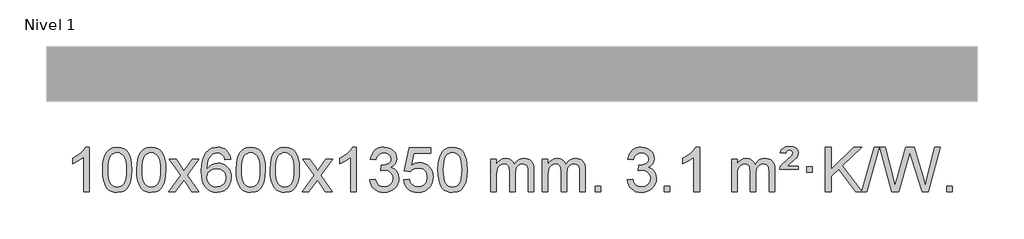
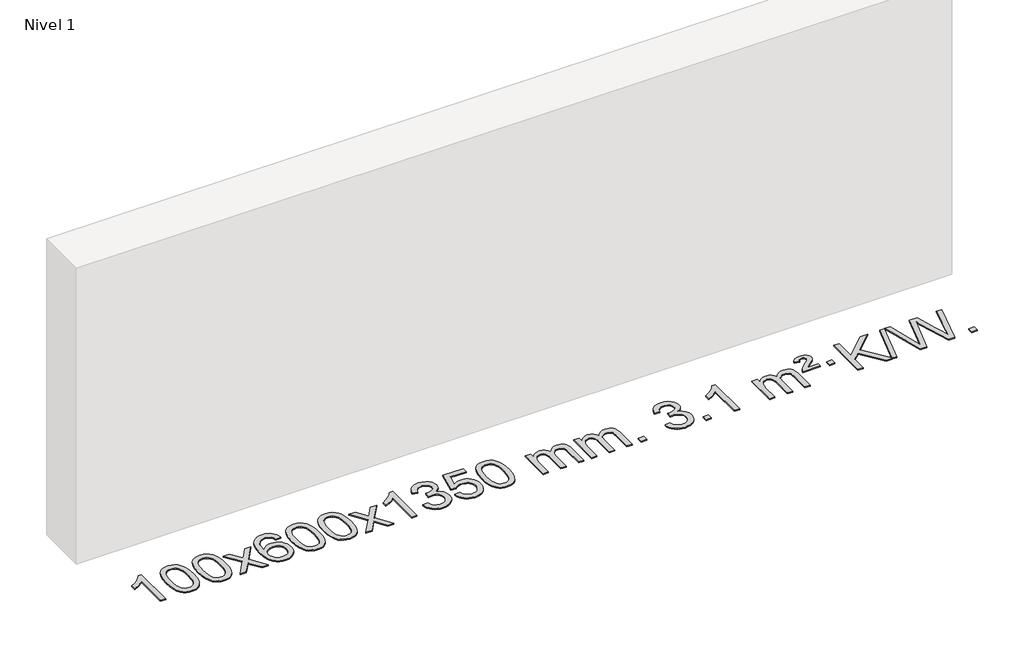
# One storey, part 10 of 15: 1 proxy.
"""IFC4 building model written with IfcOpenShell, lengths in millimetres."""

from ifc_helpers import new_model, si_unit, origin, origin_with_axes, place, context, project, spatial, polyline, outline, extrude, element, save

model = new_model("IFC4")

# Units and contexts
model_context = context("Model", 3, world=origin())
ifc_project = project(units=[si_unit("LENGTHUNIT", "METRE", prefix="MILLI")], contexts=[model_context])

# Site, building, storey
site = spatial("IfcSite", under=ifc_project)
building = spatial("IfcBuilding", under=site)
storey = spatial("IfcBuildingStorey", under=building, Name="Nivel 1", Elevation=0.0)

# Proxy
placement = place(None, origin())
element("IfcBuildingElementProxy", 1, Name="Texto de modelo 1", ObjectType="Texto de modelo 1", at=placement, inside=storey, context=model_context, shape_type="SweptSolid", body=[
    extrude(outline(polyline([(-13091.6185243, -6674.6168569), (-13141.8466794, -6674.6168569), (-13141.8466794, -6361.4757026), (-13162.8159531, -6378.4350626), (-13189.4260841, -6395.3698971), (-13242.3029895, -6420.7292293), (-13242.3029895, -6373.2479264), (-13202.8537769, -6351.7881434), (-13168.6775396, -6326.2571329), (-13141.7363148, -6299.1074417), (-13123.9921399, -6272.7916163), (-13091.6185243, -6272.7916163), (-13091.6185243, -6674.6168569)])), origin_with_axes(), (0.0, 0.0, 1.0), 10.0),
    extrude(outline(polyline([(-12972.326656, -6476.9415981), (-12968.6355733, -6412.6235626), (-12957.5623253, -6361.3285498), (-12939.2172764, -6322.2717446), (-12927.3592135, -6307.0383643), (-12913.7107915, -6294.6683323), (-12898.2260251, -6285.097269), (-12880.8589293, -6278.2607953), (-12840.4777489, -6272.7916163), (-12809.5266104, -6276.0289778), (-12781.8128334, -6285.7410625), (-12758.6362678, -6301.5477256), (-12741.296763, -6323.0688223), (-12728.200164, -6350.1204117), (-12717.7523154, -6382.5185527), (-12710.9097102, -6423.6600225), (-12708.6288419, -6476.9415981), (-12712.2831364, -6540.8917516), (-12723.2460198, -6592.0641372), (-12741.480704, -6631.1577305), (-12753.3111759, -6646.437096), (-12766.9504008, -6658.8715075), (-12782.4535613, -6668.5069501), (-12799.8758394, -6675.3894091), (-12840.4777489, -6680.8953763), (-12868.142475, -6678.5041433), (-12892.6679413, -6671.3304444), (-12914.054148, -6659.3742795), (-12932.3010949, -6642.6356488), (-12949.8122779, -6612.3773547), (-12962.3202657, -6574.6755815), (-12969.8250584, -6529.5303293), (-12972.326656, -6476.9415981)]), holes=[polyline([(-12922.0985009, -6476.8434963), (-12920.626973, -6520.5080234), (-12916.212389, -6555.8522861), (-12908.8547491, -6582.8762843), (-12898.5540532, -6601.5800181), (-12886.0951163, -6614.3056694), (-12872.2627533, -6623.3954204), (-12857.0569642, -6628.849271), (-12840.4777489, -6630.6672212), (-12823.8985337, -6628.8431396), (-12808.6927446, -6623.3708949), (-12794.8603815, -6614.2504871), (-12782.4014446, -6601.4819162), (-12772.1007488, -6582.7475256), (-12764.7431089, -6555.7296588), (-12760.3285249, -6520.4283156), (-12758.8569969, -6476.8434963), (-12760.279474, -6434.3347317), (-12764.5469051, -6399.6128027), (-12771.6592904, -6372.6777093), (-12781.6166297, -6353.5294515), (-12793.8671002, -6340.1814664), (-12807.8588787, -6330.6471914), (-12823.5919654, -6324.9266264), (-12841.0663601, -6323.0197713), (-12857.5597363, -6324.6997658), (-12872.508008, -6329.7397491), (-12885.9111753, -6338.1397213), (-12897.7692383, -6349.8996825), (-12908.4132907, -6370.7463289), (-12916.0161853, -6398.8525133), (-12920.577922, -6434.2182358), (-12922.0985009, -6476.8434963)])]), origin_with_axes(), (0.0, 0.0, 1.0), 10.0),
    extrude(outline(polyline([(-12664.6792062, -6476.9415981), (-12660.9881235, -6412.6235626), (-12649.9148754, -6361.3285498), (-12631.5698266, -6322.2717446), (-12619.7117636, -6307.0383643), (-12606.0633416, -6294.6683323), (-12590.5785753, -6285.097269), (-12573.2114794, -6278.2607953), (-12532.8302991, -6272.7916163), (-12501.8791606, -6276.0289778), (-12474.1653836, -6285.7410625), (-12450.9888179, -6301.5477256), (-12433.6493132, -6323.0688223), (-12420.5527142, -6350.1204117), (-12410.1048655, -6382.5185527), (-12403.2622604, -6423.6600225), (-12400.981392, -6476.9415981), (-12404.6356865, -6540.8917516), (-12415.59857, -6592.0641372), (-12433.8332542, -6631.1577305), (-12445.663726, -6646.437096), (-12459.302951, -6658.8715075), (-12474.8061114, -6668.5069501), (-12492.2283896, -6675.3894091), (-12532.8302991, -6680.8953763), (-12560.4950251, -6678.5041433), (-12585.0204915, -6671.3304444), (-12606.4066981, -6659.3742795), (-12624.6536451, -6642.6356488), (-12642.1648281, -6612.3773547), (-12654.6728159, -6574.6755815), (-12662.1776086, -6529.5303293), (-12664.6792062, -6476.9415981)]), holes=[polyline([(-12614.4510511, -6476.8434963), (-12612.9795231, -6520.5080234), (-12608.5649392, -6555.8522861), (-12601.2072993, -6582.8762843), (-12590.9066034, -6601.5800181), (-12578.4476665, -6614.3056694), (-12564.6153035, -6623.3954204), (-12549.4095144, -6628.849271), (-12532.8302991, -6630.6672212), (-12516.2510839, -6628.8431396), (-12501.0452947, -6623.3708949), (-12487.2129317, -6614.2504871), (-12474.7539948, -6601.4819162), (-12464.4532989, -6582.7475256), (-12457.095659, -6555.7296588), (-12452.6810751, -6520.4283156), (-12451.2095471, -6476.8434963), (-12452.6320242, -6434.3347317), (-12456.8994553, -6399.6128027), (-12464.0118405, -6372.6777093), (-12473.9691799, -6353.5294515), (-12486.2196503, -6340.1814664), (-12500.2114289, -6330.6471914), (-12515.9445155, -6324.9266264), (-12533.4189103, -6323.0197713), (-12549.9122864, -6324.6997658), (-12564.8605582, -6329.7397491), (-12578.2637255, -6338.1397213), (-12590.1217885, -6349.8996825), (-12600.7658409, -6370.7463289), (-12608.3687355, -6398.8525133), (-12612.9304722, -6434.2182358), (-12614.4510511, -6476.8434963)])]), origin_with_axes(), (0.0, 0.0, 1.0), 10.0),
    extrude(outline(polyline([(-12375.8673145, -6674.6168569), (-12268.5438738, -6526.2868364), (-12369.5887951, -6379.5264458), (-12309.158046, -6379.5264458), (-12260.4014189, -6450.1597889), (-12237.6417862, -6483.5144231), (-12217.9233112, -6456.2421045), (-12162.3976554, -6379.5264458), (-12101.9669064, -6379.5264458), (-12208.1131247, -6526.2868364), (-12105.890981, -6674.6168569), (-12166.32173, -6674.6168569), (-12227.8315996, -6585.4422612), (-12239.1133142, -6569.1573516), (-12315.4365654, -6674.6168569), (-12375.8673145, -6674.6168569)])), origin_with_axes(), (0.0, 0.0, 1.0), 10.0),
    extrude(outline(polyline([(-11817.0790893, -6379.5264458), (-11867.3072444, -6385.8049652), (-11875.4006483, -6360.9116168), (-11886.3390063, -6343.9154687), (-11909.1231645, -6328.2436957), (-11936.6652632, -6323.0197713), (-11960.0135072, -6326.0609292), (-11981.988325, -6335.1844027), (-12000.8606714, -6354.4001055), (-12016.2749269, -6380.850821), (-12026.6859874, -6418.2644199), (-12030.5487484, -6470.3687731), (-12010.4010778, -6446.8611137), (-11986.2557561, -6430.2941611), (-11959.4616842, -6420.4717119), (-11931.3677625, -6417.1975621), (-11907.2347036, -6419.4355109), (-11884.9655801, -6426.1493573), (-11864.5603921, -6437.3391013), (-11846.0191396, -6453.004743), (-11830.6110154, -6472.2143145), (-11819.6052123, -6494.0358482), (-11813.0017305, -6518.469344), (-11810.8005699, -6545.514802), (-11814.9453737, -6581.4813984), (-11827.3797852, -6614.8237699), (-11847.0737346, -6643.1016326), (-11872.9971526, -6663.8747026), (-11903.9728166, -6676.6402078), (-11938.8235042, -6680.8953763), (-11968.766033, -6678.0749476), (-11995.8084253, -6669.6136617), (-12019.9506812, -6655.5115186), (-12041.1928008, -6635.7685182), (-12058.5108457, -6609.5507947), (-12070.8808778, -6576.0244822), (-12078.302897, -6535.1895807), (-12080.7769034, -6487.0460903), (-12078.0300512, -6433.0716702), (-12069.7894945, -6387.006713), (-12056.0552334, -6348.8512188), (-12036.8272677, -6318.6051874), (-12015.9867527, -6298.56175), (-11991.823037, -6284.2450091), (-11964.3361206, -6275.6549645), (-11933.5260035, -6272.7916163), (-11910.3923574, -6274.5635812), (-11889.4537405, -6279.879476), (-11870.7101528, -6288.7393008), (-11854.1615944, -6301.1430554), (-11840.255655, -6316.6738069), (-11829.4399243, -6334.9146225), (-11821.7144024, -6355.8655021), (-11817.0790893, -6379.5264458)]), holes=[polyline([(-12030.5487484, -6544.7299871), (-12027.6424806, -6566.9868478), (-12018.9236773, -6588.2381644), (-12005.3856199, -6606.5096368), (-11988.0215897, -6619.8269651), (-11967.0645787, -6627.9571571), (-11942.7475788, -6630.6672212), (-11909.6014111, -6625.0508894), (-11895.6862746, -6618.0304746), (-11883.5431031, -6608.201894), (-11873.6930627, -6595.9636863), (-11866.6573195, -6581.7143904), (-11861.028725, -6547.1825337), (-11866.5837431, -6514.036366), (-11873.5275158, -6500.4155351), (-11883.2487975, -6488.7628729), (-11895.4287572, -6479.4278673), (-11909.7485639, -6472.7600061), (-11944.807718, -6467.4257172), (-11977.9048349, -6472.7600061), (-12005.5818236, -6488.7628729), (-12016.5048532, -6500.2622509), (-12024.3070172, -6513.4232293), (-12028.9883156, -6528.245808), (-12030.5487484, -6544.7299871)])]), origin_with_axes(), (0.0, 0.0, 1.0), 10.0),
    extrude(outline(polyline([(-11766.8509342, -6476.9415981), (-11763.1598515, -6412.6235626), (-11752.0866035, -6361.3285498), (-11733.7415547, -6322.2717446), (-11721.8834917, -6307.0383643), (-11708.2350697, -6294.6683323), (-11692.7503033, -6285.097269), (-11675.3832075, -6278.2607953), (-11635.0020271, -6272.7916163), (-11604.0508886, -6276.0289778), (-11576.3371117, -6285.7410625), (-11553.160546, -6301.5477256), (-11535.8210412, -6323.0688223), (-11522.7244422, -6350.1204117), (-11512.2765936, -6382.5185527), (-11505.4339884, -6423.6600225), (-11503.1531201, -6476.9415981), (-11506.8074146, -6540.8917516), (-11517.770298, -6592.0641372), (-11536.0049822, -6631.1577305), (-11547.8354541, -6646.437096), (-11561.474679, -6658.8715075), (-11576.9778395, -6668.5069501), (-11594.4001176, -6675.3894091), (-11635.0020271, -6680.8953763), (-11662.6667532, -6678.5041433), (-11687.1922195, -6671.3304444), (-11708.5784262, -6659.3742795), (-11726.8253731, -6642.6356488), (-11744.3365561, -6612.3773547), (-11756.844544, -6574.6755815), (-11764.3493367, -6529.5303293), (-11766.8509342, -6476.9415981)]), holes=[polyline([(-11716.6227791, -6476.8434963), (-11715.1512512, -6520.5080234), (-11710.7366672, -6555.8522861), (-11703.3790273, -6582.8762843), (-11693.0783315, -6601.5800181), (-11680.6193946, -6614.3056694), (-11666.7870315, -6623.3954204), (-11651.5812424, -6628.849271), (-11635.0020271, -6630.6672212), (-11618.4228119, -6628.8431396), (-11603.2170228, -6623.3708949), (-11589.3846597, -6614.2504871), (-11576.9257228, -6601.4819162), (-11566.625027, -6582.7475256), (-11559.2673871, -6555.7296588), (-11554.8528031, -6520.4283156), (-11553.3812752, -6476.8434963), (-11554.8037522, -6434.3347317), (-11559.0711833, -6399.6128027), (-11566.1835686, -6372.6777093), (-11576.1409079, -6353.5294515), (-11588.3913784, -6340.1814664), (-11602.3831569, -6330.6471914), (-11618.1162436, -6324.9266264), (-11635.5906383, -6323.0197713), (-11652.0840145, -6324.6997658), (-11667.0322862, -6329.7397491), (-11680.4354536, -6338.1397213), (-11692.2935165, -6349.8996825), (-11702.9375689, -6370.7463289), (-11710.5404635, -6398.8525133), (-11715.1022002, -6434.2182358), (-11716.6227791, -6476.8434963)])]), origin_with_axes(), (0.0, 0.0, 1.0), 10.0),
    extrude(outline(polyline([(-11459.2034844, -6476.9415981), (-11455.5124017, -6412.6235626), (-11444.4391536, -6361.3285498), (-11426.0941048, -6322.2717446), (-11414.2360418, -6307.0383643), (-11400.5876198, -6294.6683323), (-11385.1028535, -6285.097269), (-11367.7357577, -6278.2607953), (-11327.3545773, -6272.7916163), (-11296.4034388, -6276.0289778), (-11268.6896618, -6285.7410625), (-11245.5130961, -6301.5477256), (-11228.1735914, -6323.0688223), (-11215.0769924, -6350.1204117), (-11204.6291437, -6382.5185527), (-11197.7865386, -6423.6600225), (-11195.5056702, -6476.9415981), (-11199.1599647, -6540.8917516), (-11210.1228482, -6592.0641372), (-11228.3575324, -6631.1577305), (-11240.1880042, -6646.437096), (-11253.8272292, -6658.8715075), (-11269.3303896, -6668.5069501), (-11286.7526678, -6675.3894091), (-11327.3545773, -6680.8953763), (-11355.0193034, -6678.5041433), (-11379.5447697, -6671.3304444), (-11400.9309764, -6659.3742795), (-11419.1779233, -6642.6356488), (-11436.6891063, -6612.3773547), (-11449.1970941, -6574.6755815), (-11456.7018868, -6529.5303293), (-11459.2034844, -6476.9415981)]), holes=[polyline([(-11408.9753293, -6476.8434963), (-11407.5038013, -6520.5080234), (-11403.0892174, -6555.8522861), (-11395.7315775, -6582.8762843), (-11385.4308816, -6601.5800181), (-11372.9719447, -6614.3056694), (-11359.1395817, -6623.3954204), (-11343.9337926, -6628.849271), (-11327.3545773, -6630.6672212), (-11310.7753621, -6628.8431396), (-11295.5695729, -6623.3708949), (-11281.7372099, -6614.2504871), (-11269.278273, -6601.4819162), (-11258.9775771, -6582.7475256), (-11251.6199372, -6555.7296588), (-11247.2053533, -6520.4283156), (-11245.7338253, -6476.8434963), (-11247.1563024, -6434.3347317), (-11251.4237335, -6399.6128027), (-11258.5361188, -6372.6777093), (-11268.4934581, -6353.5294515), (-11280.7439285, -6340.1814664), (-11294.7357071, -6330.6471914), (-11310.4687937, -6324.9266264), (-11327.9431885, -6323.0197713), (-11344.4365646, -6324.6997658), (-11359.3848364, -6329.7397491), (-11372.7880037, -6338.1397213), (-11384.6460667, -6349.8996825), (-11395.2901191, -6370.7463289), (-11402.8930137, -6398.8525133), (-11407.4547504, -6434.2182358), (-11408.9753293, -6476.8434963)])]), origin_with_axes(), (0.0, 0.0, 1.0), 10.0),
    extrude(outline(polyline([(-11170.3915927, -6674.6168569), (-11063.068152, -6526.2868364), (-11164.1130733, -6379.5264458), (-11103.6823242, -6379.5264458), (-11054.9256972, -6450.1597889), (-11032.1660644, -6483.5144231), (-11012.4475894, -6456.2421045), (-10956.9219336, -6379.5264458), (-10896.4911846, -6379.5264458), (-11002.6374029, -6526.2868364), (-10900.4152592, -6674.6168569), (-10960.8460083, -6674.6168569), (-11022.3558778, -6585.4422612), (-11033.6375924, -6569.1573516), (-11109.9608436, -6674.6168569), (-11170.3915927, -6674.6168569)])), origin_with_axes(), (0.0, 0.0, 1.0), 10.0),
    extrude(outline(polyline([(-10680.6670807, -6674.6168569), (-10730.8952358, -6674.6168569), (-10730.8952358, -6361.4757026), (-10751.8645095, -6378.4350626), (-10778.4746405, -6395.3698971), (-10831.351546, -6420.7292293), (-10831.351546, -6373.2479264), (-10791.9023333, -6351.7881434), (-10757.726096, -6326.2571329), (-10730.7848712, -6299.1074417), (-10713.0406963, -6272.7916163), (-10680.6670807, -6272.7916163), (-10680.6670807, -6674.6168569)])), origin_with_axes(), (0.0, 0.0, 1.0), 10.0),
    extrude(outline(polyline([(-10561.3752124, -6567.8820273), (-10511.1470573, -6561.603508), (-10499.902131, -6593.1677831), (-10483.4332804, -6614.4804134), (-10460.931165, -6626.6205192), (-10431.5864445, -6630.6672212), (-10397.1526898, -6625.0999403), (-10382.8788684, -6618.1408392), (-10370.5670843, -6608.3980977), (-10353.5709361, -6583.4802239), (-10347.9055534, -6553.2648494), (-10353.5218851, -6524.5823165), (-10370.3708805, -6501.3199117), (-10395.8773655, -6485.9056561), (-10427.4661662, -6480.7675709), (-10462.6847359, -6486.2612753), (-10457.0929295, -6436.0331203), (-10449.0485766, -6436.6217315), (-10418.9558294, -6433.0164879), (-10392.0513928, -6422.2007572), (-10380.9781447, -6414.0215142), (-10373.0686818, -6403.9047594), (-10368.3230041, -6391.8504926), (-10366.7411115, -6377.8587141), (-10371.3273737, -6356.1659391), (-10385.0861603, -6338.568917), (-10406.0799595, -6326.9070578), (-10432.3712594, -6323.0197713), (-10458.7116103, -6326.943846), (-10480.2449698, -6338.7160698), (-10495.9657937, -6358.3364429), (-10504.868538, -6385.8049652), (-10555.096693, -6379.5264458), (-10549.1431361, -6355.5466711), (-10540.3078368, -6334.4241132), (-10528.5907953, -6316.1587721), (-10513.9920114, -6300.7506479), (-10496.9713378, -6288.5185716), (-10477.9886269, -6279.7813742), (-10457.0438786, -6274.5390557), (-10434.137093, -6272.7916163), (-10402.5605551, -6276.2374443), (-10373.5591912, -6286.5749284), (-10349.1073012, -6302.8843635), (-10331.1791853, -6324.2460447), (-10320.1795137, -6348.8573501), (-10316.5129564, -6374.9156581), (-10319.9955727, -6399.1958698), (-10330.4434213, -6421.2197386), (-10347.7093496, -6439.9817203), (-10371.6462048, -6454.476271), (-10340.2045569, -6467.1804625), (-10316.9053639, -6488.8119238), (-10302.4843897, -6518.1934325), (-10297.6773983, -6554.1477662), (-10300.080894, -6579.6297257), (-10307.2913811, -6603.100597), (-10319.3088596, -6624.5603801), (-10336.1333295, -6644.0090749), (-10356.630488, -6660.1468317), (-10379.6660323, -6671.6738009), (-10405.2399623, -6678.5899824), (-10433.3522781, -6680.8953763), (-10458.7606612, -6678.9272076), (-10481.9127015, -6673.0227016), (-10502.8083988, -6663.1818582), (-10521.4477532, -6649.4046775), (-10537.0766066, -6632.5004998), (-10548.940801, -6613.2786655), (-10557.0403362, -6591.7391747), (-10561.3752124, -6567.8820273)])), origin_with_axes(), (0.0, 0.0, 1.0), 10.0),
    extrude(outline(polyline([(-10253.7277626, -6567.8820273), (-10203.4996075, -6561.603508), (-10194.2780322, -6591.7575688), (-10178.1893262, -6613.3522419), (-10155.3070661, -6626.3384764), (-10125.7048283, -6630.6672212), (-10106.5749645, -6629.1619707), (-10089.7014437, -6624.6462192), (-10075.0842657, -6617.1199667), (-10062.7234307, -6606.5832132), (-10052.8948501, -6593.5571249), (-10045.8744353, -6578.5628679), (-10040.2581035, -6542.6698479), (-10045.5188161, -6508.8737553), (-10052.0947067, -6494.9555532), (-10061.3009536, -6483.0239138), (-10073.1682137, -6473.4528505), (-10087.7271436, -6466.6163768), (-10124.9200133, -6461.1471978), (-10149.2860642, -6463.3299643), (-10169.0168018, -6469.8782638), (-10184.774414, -6479.9091796), (-10197.2210881, -6492.5397947), (-10247.4492432, -6486.2612753), (-10203.4996075, -6279.0701357), (-10008.8655066, -6279.0701357), (-10008.8655066, -6329.2982907), (-10162.8854352, -6329.2982907), (-10184.3697438, -6439.9571949), (-10166.643963, -6427.2530033), (-10148.4889865, -6418.1785808), (-10129.9048144, -6412.7339272), (-10110.8914466, -6410.9190427), (-10086.4303596, -6413.1692543), (-10063.9619667, -6419.9198889), (-10043.486268, -6431.1709466), (-10025.0032635, -6446.9224273), (-10009.7024381, -6466.2117066), (-9998.7732772, -6488.0761598), (-9992.2157806, -6512.5157871), (-9990.0299484, -6539.5305882), (-9991.9981171, -6565.552108), (-9997.9026231, -6589.7587433), (-10007.7434665, -6612.1504941), (-10021.5206472, -6632.7273604), (-10042.3918191, -6653.8008673), (-10066.7456072, -6668.8533723), (-10094.5820115, -6677.8848753), (-10125.901032, -6680.8953763), (-10151.8213842, -6678.9609301), (-10175.2340076, -6673.1575916), (-10196.1389019, -6663.4853608), (-10214.5360674, -6649.9442377), (-10229.8430241, -6633.2086726), (-10241.4772922, -6613.9531159), (-10249.4388717, -6592.1775674), (-10253.7277626, -6567.8820273)])), origin_with_axes(), (0.0, 0.0, 1.0), 10.0),
    extrude(outline(polyline([(-9946.0803128, -6476.9415981), (-9942.3892301, -6412.6235626), (-9931.315982, -6361.3285498), (-9912.9709332, -6322.2717446), (-9901.1128702, -6307.0383643), (-9887.4644482, -6294.6683323), (-9871.9796819, -6285.097269), (-9854.612586, -6278.2607953), (-9814.2314057, -6272.7916163), (-9783.2802672, -6276.0289778), (-9755.5664902, -6285.7410625), (-9732.3899245, -6301.5477256), (-9715.0504198, -6323.0688223), (-9701.9538208, -6350.1204117), (-9691.5059721, -6382.5185527), (-9684.663367, -6423.6600225), (-9682.3824986, -6476.9415981), (-9686.0367931, -6540.8917516), (-9696.9996766, -6592.0641372), (-9715.2343608, -6631.1577305), (-9727.0648326, -6646.437096), (-9740.7040576, -6658.8715075), (-9756.207218, -6668.5069501), (-9773.6294962, -6675.3894091), (-9814.2314057, -6680.8953763), (-9841.8961317, -6678.5041433), (-9866.4215981, -6671.3304444), (-9887.8078047, -6659.3742795), (-9906.0547517, -6642.6356488), (-9923.5659347, -6612.3773547), (-9936.0739225, -6574.6755815), (-9943.5787152, -6529.5303293), (-9946.0803128, -6476.9415981)]), holes=[polyline([(-9895.8521577, -6476.8434963), (-9894.3806297, -6520.5080234), (-9889.9660458, -6555.8522861), (-9882.6084059, -6582.8762843), (-9872.30771, -6601.5800181), (-9859.8487731, -6614.3056694), (-9846.0164101, -6623.3954204), (-9830.8106209, -6628.849271), (-9814.2314057, -6630.6672212), (-9797.6521904, -6628.8431396), (-9782.4464013, -6623.3708949), (-9768.6140383, -6614.2504871), (-9756.1551014, -6601.4819162), (-9745.8544055, -6582.7475256), (-9738.4967656, -6555.7296588), (-9734.0821817, -6520.4283156), (-9732.6106537, -6476.8434963), (-9734.0331307, -6434.3347317), (-9738.3005619, -6399.6128027), (-9745.4129471, -6372.6777093), (-9755.3702865, -6353.5294515), (-9767.6207569, -6340.1814664), (-9781.6125354, -6330.6471914), (-9797.3456221, -6324.9266264), (-9814.8200169, -6323.0197713), (-9831.313393, -6324.6997658), (-9846.2616647, -6329.7397491), (-9859.6648321, -6338.1397213), (-9871.5228951, -6349.8996825), (-9882.1669475, -6370.7463289), (-9889.769842, -6398.8525133), (-9894.3315788, -6434.2182358), (-9895.8521577, -6476.8434963)])]), origin_with_axes(), (0.0, 0.0, 1.0), 10.0),
    extrude(outline(polyline([(-9468.9128395, -6674.6168569), (-9468.9128395, -6379.5264458), (-9418.6846845, -6379.5264458), (-9418.6846845, -6428.0868692), (-9403.5769972, -6405.7809575), (-9384.1528279, -6388.3065628), (-9361.074364, -6377.0125855), (-9335.0037933, -6373.2479264), (-9307.0692871, -6377.0861619), (-9284.6775364, -6388.6008684), (-9267.9511683, -6407.0317563), (-9257.0128103, -6431.6185363), (-9238.7045497, -6406.0813945), (-9217.8211151, -6387.8405789), (-9194.3625065, -6376.8960895), (-9168.328724, -6373.2479264), (-9148.2209073, -6374.7654397), (-9130.5717686, -6379.3179793), (-9115.3813079, -6386.9055455), (-9102.6495251, -6397.5281381), (-9092.5848869, -6411.3083845), (-9085.3958596, -6428.368912), (-9081.0824432, -6448.7097207), (-9079.6446377, -6472.3308105), (-9079.6446377, -6674.6168569), (-9129.8727928, -6674.6168569), (-9129.8727928, -6493.9132208), (-9131.0377524, -6468.860457), (-9134.5326314, -6451.9746734), (-9141.0809309, -6440.410916), (-9151.4061522, -6431.3242307), (-9164.6866923, -6425.4381188), (-9180.1009479, -6423.4760815), (-9207.3119528, -6428.5038021), (-9229.4952371, -6443.5869639), (-9238.1006101, -6455.1568526), (-9244.2473051, -6469.7556365), (-9249.1646611, -6508.0398895), (-9249.1646611, -6674.6168569), (-9299.3928162, -6674.6168569), (-9299.3928162, -6488.3214145), (-9302.2990839, -6459.9209245), (-9311.0178872, -6439.6628893), (-9326.3585664, -6427.5227834), (-9349.1304619, -6423.4760815), (-9368.4810549, -6426.1738828), (-9386.3110689, -6434.2672867), (-9401.0263487, -6447.5600894), (-9411.032739, -6465.8560873), (-9416.7716981, -6491.239945), (-9418.6846845, -6525.7963271), (-9418.6846845, -6674.6168569), (-9468.9128395, -6674.6168569)])), origin_with_axes(), (0.0, 0.0, 1.0), 10.0),
    extrude(outline(polyline([(-9004.3024051, -6674.6168569), (-9004.3024051, -6379.5264458), (-8954.07425, -6379.5264458), (-8954.07425, -6428.0868692), (-8938.9665628, -6405.7809575), (-8919.5423934, -6388.3065628), (-8896.4639296, -6377.0125855), (-8870.3933589, -6373.2479264), (-8842.4588527, -6377.0861619), (-8820.0671019, -6388.6008684), (-8803.3407339, -6407.0317563), (-8792.4023759, -6431.6185363), (-8774.0941153, -6406.0813945), (-8753.2106807, -6387.8405789), (-8729.7520721, -6376.8960895), (-8703.7182896, -6373.2479264), (-8683.6104729, -6374.7654397), (-8665.9613341, -6379.3179793), (-8650.7708734, -6386.9055455), (-8638.0390907, -6397.5281381), (-8627.9744525, -6411.3083845), (-8620.7854251, -6428.368912), (-8616.4720087, -6448.7097207), (-8615.0342033, -6472.3308105), (-8615.0342033, -6674.6168569), (-8665.2623584, -6674.6168569), (-8665.2623584, -6493.9132208), (-8666.427318, -6468.860457), (-8669.922197, -6451.9746734), (-8676.4704965, -6440.410916), (-8686.7957178, -6431.3242307), (-8700.0762578, -6425.4381188), (-8715.4905134, -6423.4760815), (-8742.7015183, -6428.5038021), (-8764.8848026, -6443.5869639), (-8773.4901756, -6455.1568526), (-8779.6368707, -6469.7556365), (-8784.5542267, -6508.0398895), (-8784.5542267, -6674.6168569), (-8834.7823817, -6674.6168569), (-8834.7823817, -6488.3214145), (-8837.6886495, -6459.9209245), (-8846.4074528, -6439.6628893), (-8861.748132, -6427.5227834), (-8884.5200275, -6423.4760815), (-8903.8706204, -6426.1738828), (-8921.7006345, -6434.2672867), (-8936.4159143, -6447.5600894), (-8946.4223045, -6465.8560873), (-8952.1612637, -6491.239945), (-8954.07425, -6525.7963271), (-8954.07425, -6674.6168569), (-9004.3024051, -6674.6168569)])), origin_with_axes(), (0.0, 0.0, 1.0), 10.0),
    extrude(outline(polyline([(-8527.1349319, -6674.6168569), (-8527.1349319, -6624.3887018), (-8476.9067768, -6624.3887018), (-8476.9067768, -6674.6168569), (-8527.1349319, -6674.6168569)])), origin_with_axes(), (0.0, 0.0, 1.0), 10.0),
    extrude(outline(polyline([(-8238.3230402, -6567.8820273), (-8188.0948851, -6561.603508), (-8176.8499588, -6593.1677831), (-8160.3811082, -6614.4804134), (-8137.8789928, -6626.6205192), (-8108.5342723, -6630.6672212), (-8074.1005176, -6625.0999403), (-8059.8266962, -6618.1408392), (-8047.514912, -6608.3980977), (-8030.5187639, -6583.4802239), (-8024.8533811, -6553.2648494), (-8030.4697129, -6524.5823165), (-8047.3187083, -6501.3199117), (-8072.8251933, -6485.9056561), (-8104.413994, -6480.7675709), (-8139.6325636, -6486.2612753), (-8134.0407573, -6436.0331203), (-8125.9964044, -6436.6217315), (-8095.9036571, -6433.0164879), (-8068.9992206, -6422.2007572), (-8057.9259725, -6414.0215142), (-8050.0165096, -6403.9047594), (-8045.2708319, -6391.8504926), (-8043.6889393, -6377.8587141), (-8048.2752015, -6356.1659391), (-8062.0339881, -6338.568917), (-8083.0277873, -6326.9070578), (-8109.3190872, -6323.0197713), (-8135.6594381, -6326.943846), (-8157.1927975, -6338.7160698), (-8172.9136215, -6358.3364429), (-8181.8163658, -6385.8049652), (-8232.0445208, -6379.5264458), (-8226.0909639, -6355.5466711), (-8217.2556646, -6334.4241132), (-8205.5386231, -6316.1587721), (-8190.9398392, -6300.7506479), (-8173.9191656, -6288.5185716), (-8154.9364546, -6279.7813742), (-8133.9917064, -6274.5390557), (-8111.0849208, -6272.7916163), (-8079.5083829, -6276.2374443), (-8050.5070189, -6286.5749284), (-8026.055129, -6302.8843635), (-8008.1270131, -6324.2460447), (-7997.1273414, -6348.8573501), (-7993.4607842, -6374.9156581), (-7996.9434004, -6399.1958698), (-8007.3912491, -6421.2197386), (-8024.6571774, -6439.9817203), (-8048.5940326, -6454.476271), (-8017.1523847, -6467.1804625), (-7993.8531917, -6488.8119238), (-7979.4322175, -6518.1934325), (-7974.6252261, -6554.1477662), (-7977.0287218, -6579.6297257), (-7984.2392089, -6603.100597), (-7996.2566874, -6624.5603801), (-8013.0811573, -6644.0090749), (-8033.5783158, -6660.1468317), (-8056.6138601, -6671.6738009), (-8082.1877901, -6678.5899824), (-8110.3001059, -6680.8953763), (-8135.708489, -6678.9272076), (-8158.8605293, -6673.0227016), (-8179.7562266, -6663.1818582), (-8198.395581, -6649.4046775), (-8214.0244344, -6632.5004998), (-8225.8886288, -6613.2786655), (-8233.988164, -6591.7391747), (-8238.3230402, -6567.8820273)])), origin_with_axes(), (0.0, 0.0, 1.0), 10.0),
    extrude(outline(polyline([(-7905.5615128, -6674.6168569), (-7905.5615128, -6624.3887018), (-7855.3333578, -6624.3887018), (-7855.3333578, -6674.6168569), (-7905.5615128, -6674.6168569)])), origin_with_axes(), (0.0, 0.0, 1.0), 10.0),
    extrude(outline(polyline([(-7585.3570242, -6674.6168569), (-7635.5851793, -6674.6168569), (-7635.5851793, -6361.4757026), (-7656.554453, -6378.4350626), (-7683.164584, -6395.3698971), (-7736.0414895, -6420.7292293), (-7736.0414895, -6373.2479264), (-7696.5922769, -6351.7881434), (-7662.4160395, -6326.2571329), (-7635.4748147, -6299.1074417), (-7617.7306398, -6272.7916163), (-7585.3570242, -6272.7916163), (-7585.3570242, -6674.6168569)])), origin_with_axes(), (0.0, 0.0, 1.0), 10.0),
    extrude(outline(polyline([(-7296.5451326, -6674.6168569), (-7296.5451326, -6379.5264458), (-7246.3169775, -6379.5264458), (-7246.3169775, -6428.0868692), (-7231.2092902, -6405.7809575), (-7211.7851209, -6388.3065628), (-7188.706657, -6377.0125855), (-7162.6360863, -6373.2479264), (-7134.7015802, -6377.0861619), (-7112.3098294, -6388.6008684), (-7095.5834613, -6407.0317563), (-7084.6451033, -6431.6185363), (-7066.3368427, -6406.0813945), (-7045.4534081, -6387.8405789), (-7021.9947996, -6376.8960895), (-6995.961017, -6373.2479264), (-6975.8532003, -6374.7654397), (-6958.2040616, -6379.3179793), (-6943.0136009, -6386.9055455), (-6930.2818182, -6397.5281381), (-6920.2171799, -6411.3083845), (-6913.0281526, -6428.368912), (-6908.7147362, -6448.7097207), (-6907.2769307, -6472.3308105), (-6907.2769307, -6674.6168569), (-6957.5050858, -6674.6168569), (-6957.5050858, -6493.9132208), (-6958.6700455, -6468.860457), (-6962.1649244, -6451.9746734), (-6968.7132239, -6440.410916), (-6979.0384453, -6431.3242307), (-6992.3189853, -6425.4381188), (-7007.7332409, -6423.4760815), (-7034.9442458, -6428.5038021), (-7057.1275301, -6443.5869639), (-7065.7329031, -6455.1568526), (-7071.8795981, -6469.7556365), (-7076.7969541, -6508.0398895), (-7076.7969541, -6674.6168569), (-7127.0251092, -6674.6168569), (-7127.0251092, -6488.3214145), (-7129.9313769, -6459.9209245), (-7138.6501802, -6439.6628893), (-7153.9908594, -6427.5227834), (-7176.7627549, -6423.4760815), (-7196.1133479, -6426.1738828), (-7213.9433619, -6434.2672867), (-7228.6586417, -6447.5600894), (-7238.665032, -6465.8560873), (-7244.4039911, -6491.239945), (-7246.3169775, -6525.7963271), (-7246.3169775, -6674.6168569), (-7296.5451326, -6674.6168569)])), origin_with_axes(), (0.0, 0.0, 1.0), 10.0),
    extrude(outline(polyline([(-6863.327295, -6473.7042366), (-6859.5013223, -6457.8853108), (-6851.1626637, -6442.0173341), (-6829.6538298, -6416.878731), (-6797.6971471, -6389.1404286), (-6753.5513077, -6351.7636179), (-6746.414397, -6340.2366487), (-6744.0354267, -6328.4153739), (-6745.9238876, -6316.324319), (-6751.5892704, -6306.538658), (-6760.9579985, -6300.0639348), (-6773.9564957, -6297.9056938), (-6786.3909071, -6299.5243746), (-6795.2446005, -6304.3804169), (-6801.6702727, -6313.8472469), (-6806.8206206, -6329.2982907), (-6857.0487757, -6323.0197713), (-6846.2085195, -6297.8075919), (-6829.5802534, -6280.247358), (-6805.8150765, -6269.9466622), (-6773.5640882, -6266.5130969), (-6737.7814328, -6270.645638), (-6713.0352373, -6283.0432612), (-6698.6142631, -6301.3760473), (-6693.8072717, -6323.3140769), (-6697.9030245, -6346.2208625), (-6710.1902832, -6367.8523238), (-6730.7180985, -6387.6689006), (-6767.187467, -6415.7260341), (-6792.7920538, -6442.3116396), (-6693.8072717, -6442.3116396), (-6693.8072717, -6473.7042366), (-6863.327295, -6473.7042366)])), origin_with_axes(), (0.0, 0.0, 1.0), 10.0),
    extrude(outline(polyline([(-6618.4650391, -6498.8183141), (-6618.4650391, -6448.590159), (-6568.236884, -6448.590159), (-6568.236884, -6498.8183141), (-6618.4650391, -6498.8183141)])), origin_with_axes(), (0.0, 0.0, 1.0), 10.0),
    extrude(outline(polyline([(-6177.595256, -6674.6168569), (-6331.0265735, -6471.938403), (-6398.7168606, -6536.4894304), (-6398.7168606, -6674.6168569), (-6448.9450157, -6674.6168569), (-6448.9450157, -6272.7916163), (-6398.7168606, -6272.7916163), (-6398.7168606, -6469.4858564), (-6192.7029433, -6272.7916163), (-6122.4620077, -6272.7916163), (-6295.4155964, -6437.9951576), (-6120.7619865, -6668.5723371), (-6009.4486588, -6272.7916163), (-5964.125597, -6272.7916163), (-6077.1389459, -6674.6168569), (-6116.1834883, -6674.6168569), (-6122.4620077, -6674.6168569), (-6177.595256, -6674.6168569)])), origin_with_axes(), (0.0, 0.0, 1.0), 10.0),
    extrude(outline(polyline([(-5849.6407201, -6674.6168569), (-5959.2205037, -6272.7916163), (-5907.4227188, -6272.7916163), (-5843.85271, -6536.8818379), (-5824.2323369, -6618.404488), (-5803.2385377, -6546.299617), (-5723.5798231, -6272.7916163), (-5648.9243035, -6272.7916163), (-5591.0442029, -6471.0554862), (-5566.2489564, -6544.6318852), (-5547.977484, -6618.404488), (-5528.9457221, -6539.2362826), (-5464.7871022, -6272.7916163), (-5412.9893173, -6272.7916163), (-5522.6672028, -6674.6168569), (-5576.3289231, -6674.6168569), (-5672.6649549, -6364.6149623), (-5686.1049105, -6321.3520396), (-5701.2125977, -6373.4441302), (-5789.0137673, -6674.6168569), (-5849.6407201, -6674.6168569)])), origin_with_axes(), (0.0, 0.0, 1.0), 10.0),
    extrude(outline(polyline([(-5356.4826428, -6674.6168569), (-5356.4826428, -6624.3887018), (-5306.2544877, -6624.3887018), (-5306.2544877, -6674.6168569), (-5356.4826428, -6674.6168569)])), origin_with_axes(), (0.0, 0.0, 1.0), 10.0),
])

save(model, "model.ifc")
